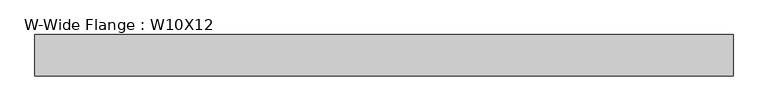
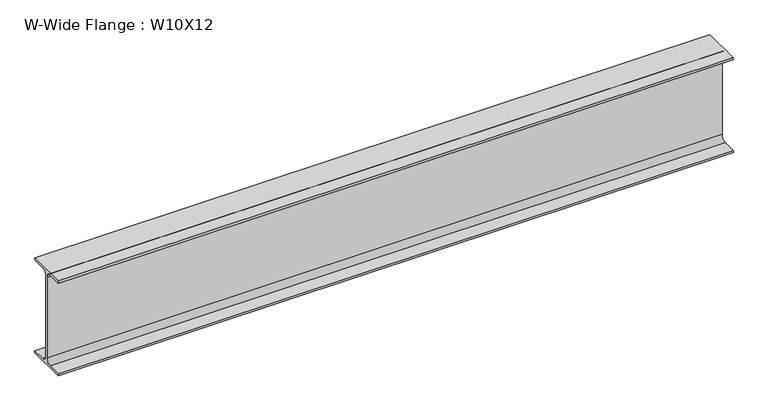
"""IFC4 building model written with IfcOpenShell, lengths in millimetres: beam geometry, W-Wide Flange : W10X12."""

from ifc_helpers import new_model, si_unit, point, frame, frame_2d, origin, place, context, project, spatial, polyline, circle_curve, trimmed, segment, composite_curve, outline, extrude, source, transform, mapped, element, save


def w_wide_flange_w10x12_3b08b2ec(model_context):
    return source(origin(), model_context, "Body", "SweptSolid", [
        extrude(outline(composite_curve([segment(polyline([(50.3039062, -120.0050781), (50.3039062, -125.3628906), (-50.3039063, -125.3628906), (-50.3039063, -120.0050781), (-16.1230469, -120.0050781)]), True, "CONTINUOUS"), segment(trimmed(circle_curve(frame_2d((-16.1230469, -106.3128906)), 13.6921875), [point((-16.1230469, -120.0050781))], [point((-2.4308594, -106.3128906))], True, "CARTESIAN"), True, "CONTINUOUS"), segment(polyline([(-2.4308594, -106.3128906), (-2.4308594, 106.3128906)]), True, "CONTINUOUS"), segment(trimmed(circle_curve(frame_2d((-16.1230469, 106.3128906)), 13.6921875), [point((-2.4308594, 106.3128906))], [point((-16.1230469, 120.0050781))], True, "CARTESIAN"), True, "CONTINUOUS"), segment(polyline([(-16.1230469, 120.0050781), (-50.3039063, 120.0050781), (-50.3039063, 125.3628906), (50.3039062, 125.3628906), (50.3039062, 120.0050781), (16.1230469, 120.0050781)]), True, "CONTINUOUS"), segment(trimmed(circle_curve(frame_2d((16.1230469, 106.3128906)), 13.6921875), [point((16.1230469, 120.0050781))], [point((2.4308594, 106.3128906))], True, "CARTESIAN"), True, "CONTINUOUS"), segment(polyline([(2.4308594, 106.3128906), (2.4308594, -106.3128906)]), True, "CONTINUOUS"), segment(trimmed(circle_curve(frame_2d((16.1230469, -106.3128906)), 13.6921875), [point((2.4308594, -106.3128906))], [point((16.1230469, -120.0050781))], True, "CARTESIAN"), True, "CONTINUOUS"), segment(polyline([(16.1230469, -120.0050781), (50.3039062, -120.0050781)]), True, "CONTINUOUS")], self_intersect=False)), frame((-848.36, 0.0, 0.0), z_axis=(1.0, 0.0, 0.0), x_axis=(0.0, 1.0, 0.0)), (0.0, 0.0, 1.0), 1690.37),
    ])


if __name__ == "__main__":
    model = new_model("IFC4")
    model_context = context("Model", 3, world=origin())
    ifc_project = project(units=[si_unit("LENGTHUNIT", "METRE", prefix="MILLI")], contexts=[model_context])
    site = spatial("IfcSite", under=ifc_project)
    building = spatial("IfcBuilding", under=site)
    placement = place(None, origin())
    w_wide_flange_w10x12_shape = w_wide_flange_w10x12_3b08b2ec(model_context)
    element("IfcBeam", 1, ObjectType="W-Wide Flange : W10X12", at=placement, inside=building, context=model_context, shape_type="MappedRepresentation", body=[
        mapped(w_wide_flange_w10x12_shape, transform((0.0, 0.0, 0.0), x_axis=(1.0, 0.0, 0.0), y_axis=(0.0, 1.0, 0.0), z_axis=(0.0, 0.0, 1.0))),
    ])
    save(model, "model.ifc")
